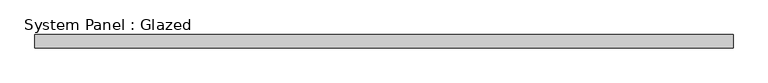
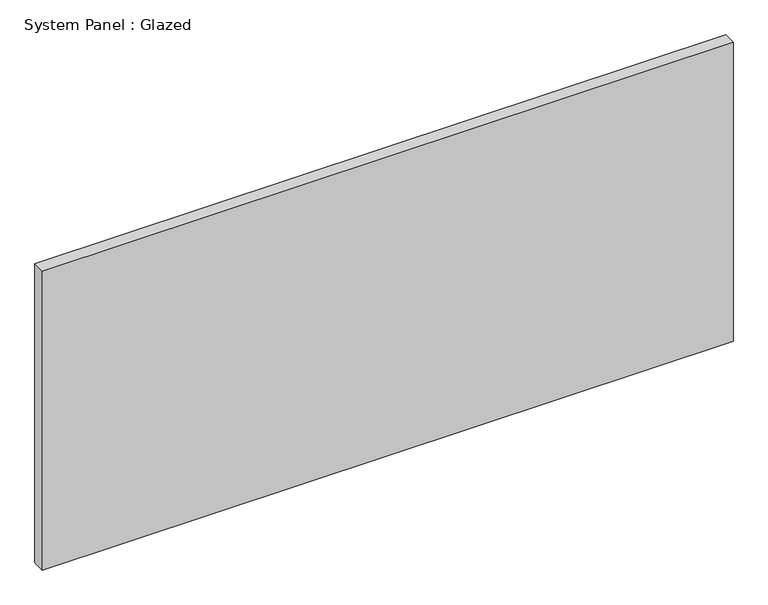
"""IFC4 building model written with IfcOpenShell, lengths in millimetres: plate geometry, System Panel : Glazed."""

from ifc_helpers import new_model, si_unit, origin, origin_with_axes, place, context, project, spatial, polyline, outline, extrude, source, transform, mapped, element, save


def system_panel_glazed_f80f61a2(model_context):
    return source(origin(), model_context, "Body", "SweptSolid", [
        extrude(outline(polyline([(673.1000002, 19.05), (-673.1000002, 19.05), (-673.1000002, 44.45), (673.1000002, 44.45), (673.1000002, 19.05)])), origin_with_axes(), (0.0, 0.0, 1.0), 615.95),
    ])


if __name__ == "__main__":
    model = new_model("IFC4")
    model_context = context("Model", 3, world=origin())
    ifc_project = project(units=[si_unit("LENGTHUNIT", "METRE", prefix="MILLI")], contexts=[model_context])
    site = spatial("IfcSite", under=ifc_project)
    building = spatial("IfcBuilding", under=site)
    placement = place(None, origin())
    system_panel_glazed_shape = system_panel_glazed_f80f61a2(model_context)
    element("IfcPlate", 1, ObjectType="System Panel : Glazed", at=placement, inside=building, context=model_context, shape_type="MappedRepresentation", body=[
        mapped(system_panel_glazed_shape, transform((0.0, 0.0, 0.0), x_axis=(1.0, 0.0, 0.0), y_axis=(0.0, 1.0, 0.0), z_axis=(0.0, 0.0, 1.0))),
    ])
    save(model, "model.ifc")
